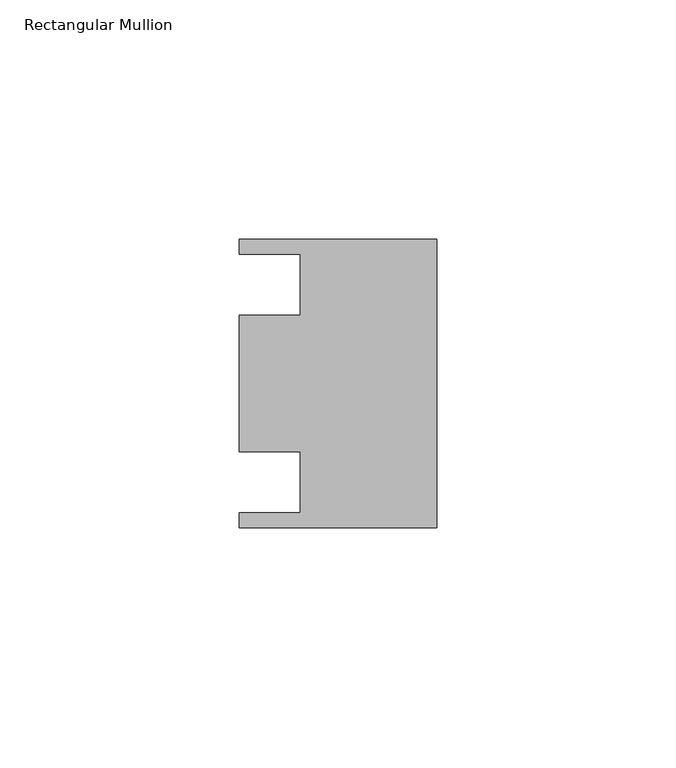
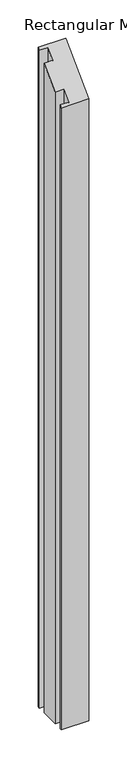
"""IFC4 building model written with IfcOpenShell, lengths in millimetres: member geometry, Rectangular Mullion."""

from ifc_helpers import new_model, si_unit, origin, place, context, project, spatial, faceted_brep, source, transform, mapped, element, save


def rectangular_mullion_71f70c77(model_context):
    return source(origin(), model_context, "Body", "Brep", [
        faceted_brep([(0.0, 30.1625, -1022.35), (0.0, -30.1625, -1022.35), (-41.275, -30.1625, -1022.35), (-41.275, -26.9875, -1022.35), (-28.575, -26.9875, -1022.35), (-28.575, -14.2875, -1022.35), (-41.275, -14.2875, -1022.35), (-41.275, 14.2875, -1022.35), (-28.575, 14.2875, -1022.35), (-28.575, 26.9875, -1022.35), (-41.275, 26.9875, -1022.35), (-41.275, 30.1625, -1022.35), (-41.275, 30.1625, 30.1625), (0.0, 30.1625, 30.1625), (-41.275, 26.9875, 26.9875), (-28.575, 26.9875, 26.9875), (-28.575, 14.2875, 14.2875), (-41.275, 14.2875, 14.2875), (-41.275, -14.2875, -14.2875), (-28.575, -14.2875, -14.2875), (-28.575, -26.9875, -26.9875), (-41.275, -26.9875, -26.9875), (-41.275, -30.1625, -30.1625), (0.0, -30.1625, -30.1625)], [[[0, 1, 2, 3, 4, 5, 6, 7, 8, 9, 10, 11]], [[12, 13, 0, 11]], [[14, 12, 11, 10]], [[15, 14, 10, 9]], [[16, 15, 9, 8]], [[17, 16, 8, 7]], [[18, 17, 7, 6]], [[19, 18, 6, 5]], [[20, 19, 5, 4]], [[21, 20, 4, 3]], [[22, 21, 3, 2]], [[23, 22, 2, 1]], [[13, 23, 1, 0]], [[13, 12, 14, 15, 16, 17, 18, 19, 20, 21, 22, 23]]]),
    ])


if __name__ == "__main__":
    model = new_model("IFC4")
    model_context = context("Model", 3, world=origin())
    ifc_project = project(units=[si_unit("LENGTHUNIT", "METRE", prefix="MILLI")], contexts=[model_context])
    site = spatial("IfcSite", under=ifc_project)
    building = spatial("IfcBuilding", under=site)
    placement = place(None, origin())
    rectangular_mullion_shape = rectangular_mullion_71f70c77(model_context)
    element("IfcMember", 1, ObjectType="Rectangular Mullion", at=placement, inside=building, context=model_context, shape_type="MappedRepresentation", body=[
        mapped(rectangular_mullion_shape, transform((0.0, 0.0, 0.0), x_axis=(1.0, 0.0, 0.0), y_axis=(0.0, 1.0, 0.0), z_axis=(0.0, 0.0, 1.0))),
    ])
    save(model, "model.ifc")
